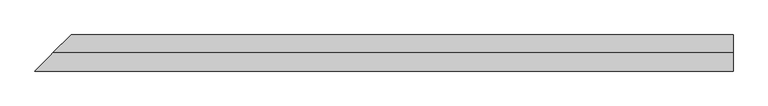
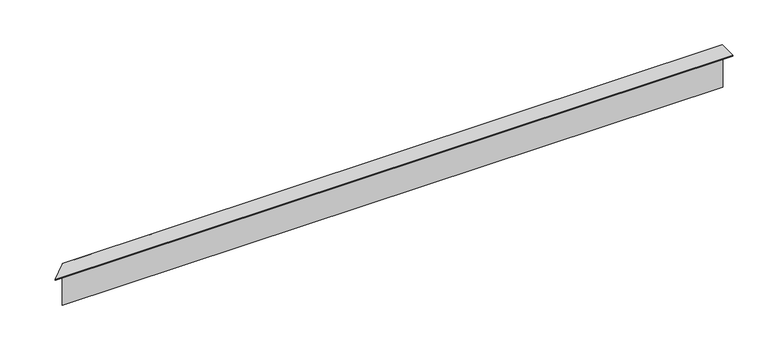
"""IFC4 building model written with IfcOpenShell, lengths in millimetres: proxy geometry."""

from ifc_helpers import new_model, si_unit, origin, place, context, project, spatial, faceted_brep, source, transform, mapped, element, save


def generic_models_326f92ec(model_context):
    return source(origin(), model_context, "Body", "Brep", [
        faceted_brep([(45.0, 45.0, 2.0), (45.0, 45.0, 5.0), (1510.0, 45.0, 5.0), (1510.0, 45.0, 2.0), (35.0, 35.0, 2.0), (1510.0, 35.0, 2.0), (35.0, 35.0, 3.0), (1510.0, 35.0, 3.0), (44.0, 44.0, 3.0), (1510.0, 44.0, 3.0), (44.0, 44.0, 4.0), (1510.0, 44.0, 4.0), (4.0, 4.0, 4.0), (1510.0, 4.0, 4.0), (4.0, 4.0, 104.0), (1510.0, 4.0, 104.0), (0.0, 0.0, 104.0), (1510.0, 0.0, 104.0), (1510.0, -34.0, 104.0), (-34.0, -34.0, 104.0), (5.0, 5.0, 105.0), (0.0, 0.0, 105.0), (-35.0, -35.0, 105.0), (1510.0, -35.0, 105.0), (1510.0, 0.0, 105.0), (1510.0, 5.0, 105.0), (5.0, 5.0, 5.0), (1510.0, 5.0, 5.0), (-34.0, -34.0, 103.0), (1510.0, -34.0, 103.0), (-25.0, -25.0, 103.0), (1510.0, -25.0, 103.0), (-25.0, -25.0, 102.0), (1510.0, -25.0, 102.0), (-35.0, -35.0, 102.0), (1510.0, -35.0, 102.0)], [[[0, 1, 2, 3]], [[4, 0, 3, 5]], [[6, 4, 5, 7]], [[8, 6, 7, 9]], [[10, 8, 9, 11]], [[12, 10, 11, 13]], [[14, 12, 13, 15]], [[16, 14, 15, 17, 18, 19]], [[20, 21, 22, 23, 24, 25]], [[26, 20, 25, 27]], [[1, 26, 27, 2]], [[28, 19, 18, 29]], [[30, 28, 29, 31]], [[32, 30, 31, 33]], [[34, 32, 33, 35]], [[22, 34, 35, 23]], [[16, 21, 20, 26, 1, 0, 4, 6, 8, 10, 12, 14]], [[21, 16, 19, 28, 30, 32, 34, 22]], [[24, 17, 15, 13, 11, 9, 7, 5, 3, 2, 27, 25]], [[17, 24, 23, 35, 33, 31, 29, 18]]]),
    ])


if __name__ == "__main__":
    model = new_model("IFC4")
    model_context = context("Model", 3, world=origin())
    ifc_project = project(units=[si_unit("LENGTHUNIT", "METRE", prefix="MILLI")], contexts=[model_context])
    site = spatial("IfcSite", under=ifc_project)
    building = spatial("IfcBuilding", under=site)
    placement = place(None, origin())
    generic_models_shape = generic_models_326f92ec(model_context)
    element("IfcBuildingElementProxy", 1, Name="Generic Models", at=placement, inside=building, context=model_context, shape_type="MappedRepresentation", body=[
        mapped(generic_models_shape, transform((0.0, 0.0, 0.0), x_axis=(1.0, 0.0, 0.0), y_axis=(0.0, 1.0, 0.0), z_axis=(0.0, 0.0, 1.0))),
    ])
    save(model, "model.ifc")
